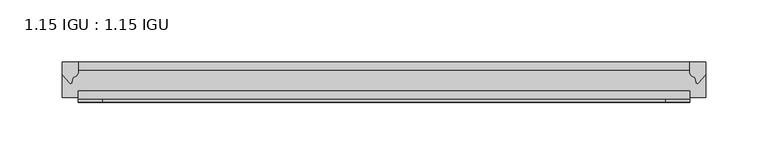
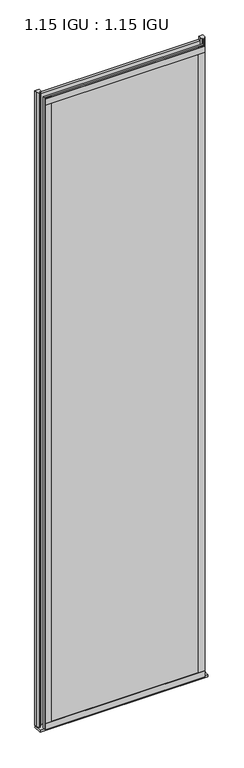
"""IFC4 building model written with IfcOpenShell, lengths in millimetres: plate geometry, 1.15 IGU : 1.15 IGU."""

from ifc_helpers import new_model, si_unit, point, frame, frame_2d, origin, place, context, project, spatial, polyline, circle_curve, trimmed, segment, composite_curve, outline, extrude, source, transform, mapped, element, save


def plate_1_15_igu_1_15_igu_a77a142c(model_context):
    return source(origin(), model_context, "Body", "SweptSolid", [
        extrude(outline(polyline([(244.6551797, 0.0), (244.6551797, -6.2992), (-244.6551797, -6.2992), (-244.6551797, 0.0), (244.6551797, 0.0)])), frame((0.0, 0.0, -19.05), z_axis=(0.0, 0.0, 1.0), x_axis=(1.0, 0.0, 0.0)), (0.0, 0.0, 1.0), 2041.5250001),
        extrude(outline(polyline([(-244.6551797, -23.1648), (244.6551797, -23.1648), (244.6551797, -29.464), (-244.6551797, -29.464), (-244.6551797, -23.1648)])), frame((0.0, 0.0, -19.05), z_axis=(0.0, 0.0, 1.0), x_axis=(1.0, 0.0, 0.0)), (0.0, 0.0, 1.0), 2041.5250001),
        extrude(outline(composite_curve([segment(trimmed(circle_curve(frame_2d((10.9021792, -22.6833935)), 11.4916952), [point((0.0, -19.05))], [point((-0.2638007, -25.4))], True, "CARTESIAN"), True, "CONTINUOUS"), segment(polyline([(-0.2638007, -25.4), (-27.9952564, -25.4), (-27.9952564, -19.05), (0.0, -19.05)]), True, "CONTINUOUS")], self_intersect=False)), frame((-257.3551797, 0.0, 0.0), z_axis=(1.0, 0.0, 0.0), x_axis=(0.0, 1.0, 0.0)), (0.0, 0.0, 1.0), 514.7103593),
        extrude(outline(composite_curve([segment(polyline([(257.3551797, 0.0), (257.3551797, -9.7395025), (251.7889488, -16.3730781)]), True, "CONTINUOUS"), segment(trimmed(circle_curve(frame_2d((250.8352738, -15.7728374)), 1.1268473), [point((251.7889488, -16.3730781))], [point((249.7343209, -16.0130197))], False, "CARTESIAN"), True, "CONTINUOUS"), segment(polyline([(249.7343209, -16.0130197), (248.7541294, -11.7377885)]), True, "CONTINUOUS"), segment(trimmed(circle_curve(frame_2d((248.6266776, -7.7683362)), 3.9714979), [point((248.7541294, -11.7377885))], [point((244.6553583, -7.8060014))], False, "CARTESIAN"), True, "CONTINUOUS"), segment(polyline([(244.6553583, -7.8060014), (244.6553583, 0.0), (257.3551797, 0.0)]), True, "CONTINUOUS")], self_intersect=False)), frame((0.0, 0.0, -19.05), z_axis=(0.0, 0.0, 1.0), x_axis=(1.0, 0.0, 0.0)), (0.0, 0.0, 1.0), 2051.8374001),
        extrude(outline(composite_curve([segment(polyline([(-244.6551797, 8.8e-06), (-244.6551797, -7.7683362)]), True, "CONTINUOUS"), segment(trimmed(circle_curve(frame_2d((-248.6266776, -7.7683362)), 3.9714979), [point((-244.6551797, -7.7683362))], [point((-248.7541294, -11.7377885))], False, "CARTESIAN"), True, "CONTINUOUS"), segment(polyline([(-248.7541294, -11.7377885), (-249.734164, -16.012436)]), True, "CONTINUOUS"), segment(trimmed(circle_curve(frame_2d((-250.835373, -15.7723555)), 1.1270758), [point((-249.734164, -16.012436))], [point((-251.7892124, -16.372764))], False, "CARTESIAN"), True, "CONTINUOUS"), segment(polyline([(-251.7892124, -16.372764), (-257.3551797, -9.7395025), (-257.3551797, 8.8e-06), (-244.6551797, 8.8e-06)]), True, "CONTINUOUS")], self_intersect=False)), frame((0.0, 0.0, -19.05), z_axis=(0.0, 0.0, 1.0), x_axis=(1.0, 0.0, 0.0)), (0.0, 0.0, 1.0), 2051.8374001),
        extrude(outline(polyline([(-244.6551797, -31.75), (-244.6551797, -29.464), (244.6551797, -29.464), (244.6551797, -31.75), (-244.6551797, -31.75)])), frame((0.0, 0.0, -19.05), z_axis=(0.0, 0.0, 1.0), x_axis=(1.0, 0.0, 0.0)), (0.0, 0.0, 1.0), 19.05),
        extrude(outline(polyline([(-244.6551797, -31.75), (-244.6551797, -29.464), (244.6551797, -29.464), (244.6551797, -31.75), (-244.6551797, -31.75)])), frame((0.0, 0.0, 2000.2500001), z_axis=(0.0, 0.0, 1.0), x_axis=(1.0, 0.0, 0.0)), (0.0, 0.0, 1.0), 19.05),
        extrude(outline(polyline([(225.6051797, -29.464), (244.6551797, -29.464), (244.6551797, -31.75), (225.6051797, -31.75), (225.6051797, -29.464)])), frame((0.0, 0.0, -19.05), z_axis=(0.0, 0.0, 1.0), x_axis=(1.0, 0.0, 0.0)), (0.0, 0.0, 1.0), 2041.5250001),
        extrude(outline(polyline([(-244.6551797, -31.75), (-244.6551797, -29.464), (-225.6051797, -29.464), (-225.6051797, -31.75), (-244.6551797, -31.75)])), frame((0.0, 0.0, -19.05), z_axis=(0.0, 0.0, 1.0), x_axis=(1.0, 0.0, 0.0)), (0.0, 0.0, 1.0), 2041.5250001),
    ])


if __name__ == "__main__":
    model = new_model("IFC4")
    model_context = context("Model", 3, world=origin())
    ifc_project = project(units=[si_unit("LENGTHUNIT", "METRE", prefix="MILLI")], contexts=[model_context])
    site = spatial("IfcSite", under=ifc_project)
    building = spatial("IfcBuilding", under=site)
    placement = place(None, origin())
    plate_1_15_igu_1_15_igu_shape = plate_1_15_igu_1_15_igu_a77a142c(model_context)
    element("IfcPlate", 1, ObjectType="1.15 IGU : 1.15 IGU", at=placement, inside=building, context=model_context, shape_type="MappedRepresentation", body=[
        mapped(plate_1_15_igu_1_15_igu_shape, transform((0.0, 0.0, 0.0), x_axis=(1.0, 0.0, 0.0), y_axis=(0.0, 1.0, 0.0), z_axis=(0.0, 0.0, 1.0))),
    ])
    save(model, "model.ifc")
